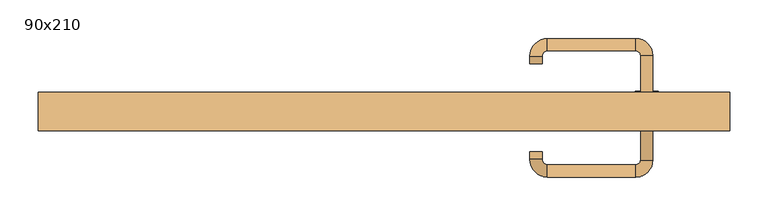
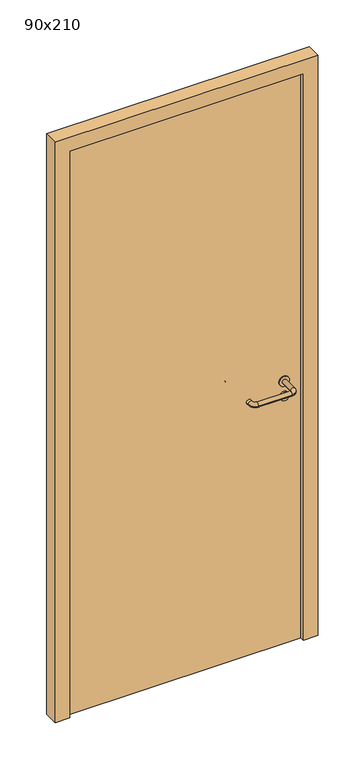
"""IFC4 building model written with IfcOpenShell, lengths in millimetres: door geometry, 90x210."""

import ifcopenshell
import ifcopenshell.guid

model = None  # the IFC model being written
_history = None  # IfcOwnerHistory: only IFC2X3 demands one
_inside = {}  # id of a spatial element -> (the spatial element, [elements in it])
_under = {}  # id of a project, library or spatial element -> (it, [spatial elements below it])
_declared = {}  # id of a project -> (the project, [libraries it declares])
_typed = {}  # id of a type object -> (the type object, [elements of that type])
_made_of = {}  # id of a material, layer set ... -> (it, [elements and type objects made of it])


def new_model(schema):
    """Start an empty IFC model of exactly this schema.

    Asked for "IFC4X3", IfcOpenShell would pick the latest addendum, in which some entities
    have other attributes; the version numbers below select the first issue.
    IFC2X3 requires an IfcOwnerHistory on every rooted entity: one is made here for all.
    """
    global model, _history
    if schema == "IFC4X3":
        model = ifcopenshell.file(schema_version=(4, 3, 0, 0))
    else:
        model = ifcopenshell.file(schema=schema)
    _inside.clear()
    _under.clear()
    _declared.clear()
    _typed.clear()
    _made_of.clear()
    _history = None
    if model.schema == "IFC2X3":
        org = make("IfcOrganization", Name="unknown")
        user = make(
            "IfcPersonAndOrganization",
            ThePerson=make("IfcPerson", FamilyName="unknown"),
            TheOrganization=org,
        )
        app = make(
            "IfcApplication",
            ApplicationDeveloper=org,
            Version="unknown",
            ApplicationFullName="unknown",
            ApplicationIdentifier="unknown",
        )
        _history = make(
            "IfcOwnerHistory",
            OwningUser=user,
            OwningApplication=app,
            ChangeAction="ADDED",
            CreationDate=0,
        )
    return model


def make(cls, **values):
    """One entity of the class cls with the attributes given. An attribute that is None is left unset."""
    return model.create_entity(
        cls, **{name: value for name, value in values.items() if value is not None}
    )


def rooted(cls, **values):
    """An entity with a GlobalId (a new one), such as an element, a storey or a relation."""
    return make(cls, GlobalId=ifcopenshell.guid.new(), OwnerHistory=_history, **values)


def si_unit(unit_type, name, prefix=None):
    """IfcSIUnit, for example si_unit("LENGTHUNIT", "METRE", prefix="MILLI")."""
    return make("IfcSIUnit", UnitType=unit_type, Prefix=prefix, Name=name)


def assignment(units):
    """IfcUnitAssignment: the units of a project."""
    return None if units is None else make("IfcUnitAssignment", Units=units)


def point(xyz):
    """IfcCartesianPoint."""
    return None if xyz is None else make("IfcCartesianPoint", Coordinates=xyz)


def direction(xyz):
    """IfcDirection."""
    return None if xyz is None else make("IfcDirection", DirectionRatios=xyz)


def frame(location, z_axis=None, x_axis=None):
    """IfcAxis2Placement3D, a coordinate frame: its origin and axes. An axis left out is left unset."""
    return make(
        "IfcAxis2Placement3D",
        Location=point(location),
        Axis=direction(z_axis),
        RefDirection=direction(x_axis),
    )


def frame_2d(location, x_axis=None):
    """IfcAxis2Placement2D, a coordinate frame in the plane: its origin and x axis."""
    return make(
        "IfcAxis2Placement2D", Location=point(location), RefDirection=direction(x_axis)
    )


def origin():
    """The frame at (0, 0, 0) with its axes left unset."""
    return frame((0.0, 0.0, 0.0))


def origin_with_axes():
    """The frame at (0, 0, 0) with the z axis (0, 0, 1) and the x axis (1, 0, 0) written out."""
    return frame((0.0, 0.0, 0.0), z_axis=(0.0, 0.0, 1.0), x_axis=(1.0, 0.0, 0.0))


def place(relative_to, where):
    """IfcLocalPlacement: puts the frame where relative to a parent placement (None: the world)."""
    return make(
        "IfcLocalPlacement", PlacementRelTo=relative_to, RelativePlacement=where
    )


def context(
    kind, dimensions, precision=None, world=None, true_north=None, identifier=None
):
    """IfcGeometricRepresentationContext, for example the 3D "Model" context."""
    return make(
        "IfcGeometricRepresentationContext",
        ContextIdentifier=identifier,
        ContextType=kind,
        CoordinateSpaceDimension=dimensions,
        Precision=precision,
        WorldCoordinateSystem=world,
        TrueNorth=true_north,
    )


def project(units=None, contexts=None):
    """IfcProject with its units and contexts."""
    return rooted(
        "IfcProject",
        Name="project",
        RepresentationContexts=contexts,
        UnitsInContext=assignment(units),
    )


def spatial(cls, under=None, at=None, **own):
    """A site, building, storey or space (cls), placed at a placement, below another one or the project."""
    s = rooted(cls, ObjectPlacement=at, **own)
    if under is not None:
        _under.setdefault(under.id(), (under, []))[1].append(s)
    return s


def polyline(points):
    """IfcPolyline through the points."""
    return make("IfcPolyline", Points=[point(p) for p in points])


def circle_curve(where, radius):
    """IfcCircle in the frame where."""
    return make("IfcCircle", Position=where, Radius=radius)


def ellipse_curve(where, semi_axis1, semi_axis2):
    """IfcEllipse in the frame where."""
    return make(
        "IfcEllipse", Position=where, SemiAxis1=semi_axis1, SemiAxis2=semi_axis2
    )


def trimmed(basis, trim1, trim2, sense, master):
    """IfcTrimmedCurve: the piece of a basis curve between two trims."""
    return make(
        "IfcTrimmedCurve",
        BasisCurve=basis,
        Trim1=trim1,
        Trim2=trim2,
        SenseAgreement=sense,
        MasterRepresentation=master,
    )


def segment(curve, same_sense, transition):
    """IfcCompositeCurveSegment."""
    return make(
        "IfcCompositeCurveSegment",
        Transition=transition,
        SameSense=same_sense,
        ParentCurve=curve,
    )


def composite_curve(segments, self_intersect=None):
    """IfcCompositeCurve: segments joined end to end."""
    return make("IfcCompositeCurve", Segments=segments, SelfIntersect=self_intersect)


def outline(outer, holes=None, kind="AREA"):
    """IfcArbitraryClosedProfileDef: a profile drawn as a closed curve; with holes, ...WithVoids."""
    if holes is None:
        return make("IfcArbitraryClosedProfileDef", ProfileType=kind, OuterCurve=outer)
    return make(
        "IfcArbitraryProfileDefWithVoids",
        ProfileType=kind,
        OuterCurve=outer,
        InnerCurves=holes,
    )


def extrude(swept, where, along, depth):
    """IfcExtrudedAreaSolid: the profile swept, set in the frame where, extruded along a direction by depth."""
    return make(
        "IfcExtrudedAreaSolid",
        SweptArea=swept,
        Position=where,
        ExtrudedDirection=direction(along),
        Depth=depth,
    )


def shape(context_of_items, identifier, shape_type, items):
    """IfcShapeRepresentation: the items that make up one representation, for example the "Body"."""
    return make(
        "IfcShapeRepresentation",
        ContextOfItems=context_of_items,
        RepresentationIdentifier=identifier,
        RepresentationType=shape_type,
        Items=items,
    )


def source(mapping_origin, context_of_items, identifier, shape_type, items):
    """IfcRepresentationMap: a shape defined once, which mapped items show again and again."""
    return make(
        "IfcRepresentationMap",
        MappingOrigin=mapping_origin,
        MappedRepresentation=shape(context_of_items, identifier, shape_type, items),
    )


def transform(
    local_origin,
    x_axis=None,
    y_axis=None,
    z_axis=None,
    scale=None,
    scale2=None,
    scale3=None,
    uniform=True,
):
    """IfcCartesianTransformationOperator3D, or its non-uniform kind. x_axis, y_axis, z_axis: its Axis1, 2, 3."""
    if uniform:
        return make(
            "IfcCartesianTransformationOperator3D",
            Axis1=direction(x_axis),
            Axis2=direction(y_axis),
            LocalOrigin=point(local_origin),
            Scale=scale,
            Axis3=direction(z_axis),
        )
    return make(
        "IfcCartesianTransformationOperator3DnonUniform",
        Axis1=direction(x_axis),
        Axis2=direction(y_axis),
        LocalOrigin=point(local_origin),
        Scale=scale,
        Axis3=direction(z_axis),
        Scale2=scale2,
        Scale3=scale3,
    )


def mapped(mapping_source, mapping_target):
    """IfcMappedItem: shows the shape of a source again, moved by a transform."""
    return make(
        "IfcMappedItem", MappingSource=mapping_source, MappingTarget=mapping_target
    )


def made_of(thing, what):
    """Note that an element or type object is made of a material, layer set ...; save() writes the relation."""
    if what is not None:
        _made_of.setdefault(what.id(), (what, []))[1].append(thing)
    return thing


def element(
    cls,
    number,
    at=None,
    inside=None,
    cuts=None,
    type_object=None,
    material=None,
    context=None,
    identifier="Body",
    shape_type=None,
    held_by="IfcProductDefinitionShape",
    body=None,
    shapes=None,
    **own,
):
    """One element of the class cls, such as IfcWall. Its Tag is "e" and its number.

    at: its placement. inside: the storey or other place that contains it. cuts: it is an
    opening in that element (IfcRelVoidsElement). A single representation is given by context,
    identifier, shape_type and body (its items); several are given by shapes. held_by: the class
    of the entity that holds the representations. save() writes the other relations.
    """
    e = rooted(cls, Tag="e%d" % number, ObjectPlacement=at, **own)
    if body is not None:
        shapes = [shape(context, identifier, shape_type, body)]
    if shapes is not None:
        e.Representation = make(held_by, Representations=shapes)
    if inside is not None:
        _inside.setdefault(inside.id(), (inside, []))[1].append(e)
    if cuts is not None:
        rooted(
            "IfcRelVoidsElement", RelatingBuildingElement=cuts, RelatedOpeningElement=e
        )
    if type_object is not None:
        _typed.setdefault(type_object.id(), (type_object, []))[1].append(e)
    return made_of(e, material)


def aggregate(whole, parts):
    """IfcRelAggregates: a whole, such as a stair, and the parts it consists of."""
    return rooted("IfcRelAggregates", RelatingObject=whole, RelatedObjects=parts)


def save(model, path):
    """Write the relations noted so far, then the file.

    IfcRelAggregates (storeys below a building ...), IfcRelContainedInSpatialStructure (elements
    in a storey), IfcRelDefinesByType, IfcRelAssociatesMaterial and IfcRelDeclares: one each for
    every whole, place, type object, material and project.
    """
    for whole, parts in _under.values():
        aggregate(whole, parts)
    for where, things in _inside.values():
        rooted(
            "IfcRelContainedInSpatialStructure",
            RelatedElements=things,
            RelatingStructure=where,
        )
    for kind, things in _typed.values():
        rooted("IfcRelDefinesByType", RelatedObjects=things, RelatingType=kind)
    for what, things in _made_of.values():
        rooted("IfcRelAssociatesMaterial", RelatedObjects=things, RelatingMaterial=what)
    for by, libraries in _declared.values():
        rooted("IfcRelDeclares", RelatingContext=by, RelatedDefinitions=libraries)
    model.write(path)


def plane_surface(at):
    """IfcPlane: the flat surface through the origin of the frame at, square to its z axis."""
    return make("IfcPlane", Position=at)


def cylinder_surface(at, radius):
    """IfcCylindricalSurface: all points at the distance radius from the z axis of the frame at."""
    return make("IfcCylindricalSurface", Position=at, Radius=radius)


def revolved_surface(curve, axis_point, axis_direction):
    """IfcSurfaceOfRevolution: the curve turned about the line through axis_point along axis_direction."""
    return make(
        "IfcSurfaceOfRevolution",
        SweptCurve=make("IfcArbitraryOpenProfileDef", ProfileType="CURVE", Curve=curve),
        AxisPosition=make("IfcAxis1Placement", Location=point(axis_point), Axis=direction(axis_direction)),
    )


def advanced_brep(points, edges, surfaces, faces):
    """IfcAdvancedBrep: a solid bounded by faces that lie on surfaces and meet in shared edges.

    An edge is (start, end): straight between two places in points (the first is 0);
    or (start, end, curve); or (start, end, curve, False) where it runs against its curve.
    A face is (place in surfaces, loops), or (place, loops, False) where it looks against
    its surface's normal. A loop lists edges by number (the first is 1), with a minus sign
    where the edge is run from its end to its start. The first loop is the outer one.
    """
    corners = [point(p) for p in points]
    vertices = [make("IfcVertexPoint", VertexGeometry=c) for c in corners]
    made = []
    for start, end, *more in edges:
        made.append(
            make(
                "IfcEdgeCurve",
                EdgeStart=vertices[start],
                EdgeEnd=vertices[end],
                EdgeGeometry=more[0] if more else make("IfcPolyline", Points=[corners[start], corners[end]]),
                SameSense=more[1] if len(more) > 1 else True,
            )
        )
    hull = []
    for where, loops, *sense in faces:
        bounds = []
        for j, loop in enumerate(loops):
            ring = [make("IfcOrientedEdge", EdgeElement=made[abs(k) - 1], Orientation=k > 0) for k in loop]
            bounds.append(
                make(
                    "IfcFaceOuterBound" if j == 0 else "IfcFaceBound",
                    Bound=make("IfcEdgeLoop", EdgeList=ring),
                    Orientation=True,
                )
            )
        hull.append(make("IfcAdvancedFace", Bounds=bounds, FaceSurface=surfaces[where], SameSense=sense[0] if sense else True))
    return make("IfcAdvancedBrep", Outer=make("IfcClosedShell", CfsFaces=hull))


def door_90x210_c7966d50(model_context):
    return source(origin(), model_context, "Body", "SolidModel", [
        extrude(outline(composite_curve([segment(trimmed(circle_curve(frame_2d((897.3605726, 342.0)), 15.0), [point((897.3605726, 357.0))], [point((897.3605726, 327.0))], False, "CARTESIAN"), True, "CONTINUOUS"), segment(trimmed(circle_curve(frame_2d((897.3605726, 342.0)), 15.0), [point((897.3605726, 327.0))], [point((897.3605726, 357.0))], False, "CARTESIAN"), True, "CONTINUOUS")], self_intersect=False), holes=[composite_curve([segment(trimmed(circle_curve(frame_2d((892.5833211, 341.9398032)), 2.0), [point((892.5833211, 343.9398032))], [point((892.5833211, 339.9398032))], True, "CARTESIAN"), True, "CONTINUOUS"), segment(polyline([(892.5833211, 339.9398032), (902.5833211, 339.9398032)]), True, "CONTINUOUS"), segment(trimmed(circle_curve(frame_2d((902.5833211, 341.9398032)), 2.0), [point((902.5833211, 339.9398032))], [point((902.5833211, 343.9398032))], True, "CARTESIAN"), True, "CONTINUOUS"), segment(polyline([(902.5833211, 343.9398032), (892.5833211, 343.9398032)]), True, "CONTINUOUS")], self_intersect=False)]), frame((0.0, 8.65, 0.0), z_axis=(0.0, 1.0, 0.0), x_axis=(0.0, 0.0, 1.0)), (0.0, 0.0, 1.0), 6.35),
        extrude(outline(composite_curve([segment(trimmed(circle_curve(frame_2d((950.0, 342.0)), 17.526), [point((950.0, 359.526))], [point((950.0, 324.474))], False, "CARTESIAN"), True, "CONTINUOUS"), segment(trimmed(circle_curve(frame_2d((950.0, 342.0)), 17.526), [point((950.0, 324.474))], [point((950.0, 359.526))], False, "CARTESIAN"), True, "CONTINUOUS")], self_intersect=False)), frame((0.0, 11.825, 0.0), z_axis=(0.0, 1.0, 0.0), x_axis=(0.0, 0.0, 1.0)), (0.0, 0.0, 1.0), 3.175),
        advanced_brep(
        [(350.0, 15.0, 950.0), (334.0, 15.0, 950.0), (334.0, -38.0, 950.0), (350.0, -38.0, 950.0), (327.8578644, -44.1421356, 950.0), (327.8578644, -60.1421356, 950.0), (212.8578644, -44.1421356, 950.0), (212.8578644, -60.1421356, 950.0), (206.008622, -37.2928932, 950.0), (190.008622, -37.2928932, 950.0), (190.008622, -27.2928932, 950.0), (206.008622, -27.2928932, 950.0)],
        [
            (0, 1, circle_curve(frame((342.0, 15.0, 950.0), z_axis=(0.0, 1.0, 0.0), x_axis=(-1.0, 0.0, 0.0)), 8.0)),
            (1, 0, circle_curve(frame((342.0, 15.0, 950.0), z_axis=(0.0, 1.0, 0.0), x_axis=(-1.0, 0.0, 0.0)), 8.0)),
            (1, 2),
            (2, 3, circle_curve(frame((342.0, -38.0, 950.0), z_axis=(0.0, 1.0, 0.0), x_axis=(-1.0, 0.0, 0.0)), 8.0)),
            (3, 0),
            (3, 2, circle_curve(frame((342.0, -38.0, 950.0), z_axis=(0.0, 1.0, 0.0), x_axis=(-1.0, 0.0, 0.0)), 8.0)),
            (4, 5, circle_curve(frame((327.8578644, -52.1421356, 950.0), z_axis=(1.0, 0.0, 0.0), x_axis=(0.0, 1.0, 0.0)), 8.0)),
            (5, 3, circle_curve(frame((327.8578644, -38.0, 950.0), z_axis=(0.0, 0.0, 1.0), x_axis=(1.0, 0.0, 0.0)), 22.1421356)),
            (2, 4, circle_curve(frame((327.8578644, -38.0, 950.0), z_axis=(0.0, 0.0, -1.0), x_axis=(1.0, 0.0, 0.0)), 6.1421356)),
            (5, 4, circle_curve(frame((327.8578644, -52.1421356, 950.0), z_axis=(1.0, 0.0, 0.0), x_axis=(0.0, 1.0, 0.0)), 8.0)),
            (4, 6),
            (6, 7, circle_curve(frame((212.8578644, -52.1421356, 950.0), z_axis=(1.0, 0.0, 0.0), x_axis=(0.0, 1.0, 0.0)), 8.0)),
            (7, 5),
            (7, 6, circle_curve(frame((212.8578644, -52.1421356, 950.0), z_axis=(1.0, 0.0, 0.0), x_axis=(0.0, 1.0, 0.0)), 8.0)),
            (8, 9, circle_curve(frame((198.008622, -37.2928932, 950.0), z_axis=(0.0, -1.0, 0.0), x_axis=(1.0, 0.0, 0.0)), 8.0)),
            (9, 7, circle_curve(frame((212.8578644, -37.2928932, 950.0), z_axis=(0.0, 0.0, 1.0), x_axis=(0.0, -1.0, 0.0)), 22.8492424)),
            (6, 8, circle_curve(frame((212.8578644, -37.2928932, 950.0), z_axis=(0.0, 0.0, -1.0), x_axis=(0.0, -1.0, 0.0)), 6.8492424)),
            (9, 8, circle_curve(frame((198.008622, -37.2928932, 950.0), z_axis=(0.0, -1.0, 0.0), x_axis=(1.0, 0.0, 0.0)), 8.0)),
            (10, 11, circle_curve(frame((198.008622, -27.2928932, 950.0), z_axis=(0.0, 1.0, 0.0), x_axis=(1.0, 0.0, 0.0)), 8.0)),
            (11, 10, circle_curve(frame((198.008622, -27.2928932, 950.0), z_axis=(0.0, 1.0, 0.0), x_axis=(1.0, 0.0, 0.0)), 8.0)),
            (8, 11),
            (10, 9),
        ],
        [
            plane_surface(frame((342.0, 15.0, 170.0), z_axis=(0.0, 1.0, 0.0), x_axis=(0.0, 0.0, 1.0))),
            cylinder_surface(frame((342.0, 15.0, 950.0), z_axis=(0.0, 1.0, 0.0), x_axis=(-1.0, 0.0, 0.0)), 8.0),
            revolved_surface(trimmed(ellipse_curve(frame((342.0, -38.0, 950.0), z_axis=(0.0, -1.0, 0.0), x_axis=(-1.0, 0.0, 0.0)), 8.0, 8.0), [point((350.0, -38.0, 950.0))], [point((334.0, -38.0, 950.0))], True, "CARTESIAN"), (327.8578644, -38.0, 170.0), (0.0, 0.0, 1.0)),
            revolved_surface(trimmed(ellipse_curve(frame((342.0, -38.0, 950.0), z_axis=(0.0, -1.0, 0.0), x_axis=(-1.0, 0.0, 0.0)), 8.0, 8.0), [point((334.0, -38.0, 950.0))], [point((350.0, -38.0, 950.0))], True, "CARTESIAN"), (327.8578644, -38.0, 170.0), (0.0, 0.0, 1.0)),
            cylinder_surface(frame((327.8578644, -52.1421356, 950.0), z_axis=(1.0, 0.0, 0.0), x_axis=(0.0, 1.0, 0.0)), 8.0),
            revolved_surface(trimmed(ellipse_curve(frame((212.8578644, -52.1421356, 950.0), z_axis=(-1.0, 0.0, 0.0), x_axis=(0.0, 1.0, 0.0)), 8.0, 8.0), [point((212.8578644, -60.1421356, 950.0))], [point((212.8578644, -44.1421356, 950.0))], True, "CARTESIAN"), (212.8578644, -37.2928932, 170.0), (0.0, 0.0, 1.0)),
            revolved_surface(trimmed(ellipse_curve(frame((212.8578644, -52.1421356, 950.0), z_axis=(-1.0, 0.0, 0.0), x_axis=(0.0, 1.0, 0.0)), 8.0, 8.0), [point((212.8578644, -44.1421356, 950.0))], [point((212.8578644, -60.1421356, 950.0))], True, "CARTESIAN"), (212.8578644, -37.2928932, 170.0), (0.0, 0.0, 1.0)),
            plane_surface(frame((198.008622, -27.2928932, 170.0), z_axis=(0.0, 1.0, 0.0), x_axis=(0.0, 0.0, 1.0))),
            cylinder_surface(frame((198.008622, -37.2928932, 950.0), z_axis=(0.0, -1.0, 0.0), x_axis=(1.0, 0.0, 0.0)), 8.0),
        ],
        [
            (0, [[1, 2]]),
            (1, [[3, 4, 5, -2]]),
            (1, [[-5, 6, -3, -1]]),
            (2, [[7, 8, -4, 9]]),
            (3, [[10, -9, -6, -8]]),
            (4, [[11, 12, 13, -7]]),
            (4, [[-13, 14, -11, -10]]),
            (5, [[15, 16, -12, 17]]),
            (6, [[18, -17, -14, -16]]),
            (7, [[19, 20]]),
            (8, [[21, -19, 22, -15]]),
            (8, [[-22, -20, -21, -18]]),
        ],
    ),
        extrude(outline(composite_curve([segment(trimmed(circle_curve(frame_2d((0.0, -15.0)), 15.0), [point((0.0, -30.0))], [point((0.0, 0.0))], False, "CARTESIAN"), True, "CONTINUOUS"), segment(trimmed(circle_curve(frame_2d((0.0, -15.0)), 15.0), [point((0.0, 0.0))], [point((0.0, -30.0))], False, "CARTESIAN"), True, "CONTINUOUS")], self_intersect=False), holes=[composite_curve([segment(trimmed(circle_curve(frame_2d((4.7772515, -14.9398032)), 2.0), [point((4.7772515, -16.9398032))], [point((4.7772515, -12.9398032))], True, "CARTESIAN"), True, "CONTINUOUS"), segment(polyline([(4.7772515, -12.9398032), (-5.2227485, -12.9398032)]), True, "CONTINUOUS"), segment(trimmed(circle_curve(frame_2d((-5.2227485, -14.9398032)), 2.0), [point((-5.2227485, -12.9398032))], [point((-5.2227485, -16.9398032))], True, "CARTESIAN"), True, "CONTINUOUS"), segment(polyline([(-5.2227485, -16.9398032), (4.7772515, -16.9398032)]), True, "CONTINUOUS")], self_intersect=False)]), frame((327.0, 45.0, 897.3605726), z_axis=(1.8870575173328306e-12, 1.0, 0.0), x_axis=(0.0, 0.0, -1.0)), (0.0, 0.0, 1.0), 6.35),
        extrude(outline(composite_curve([segment(trimmed(circle_curve(frame_2d((0.0, -17.526)), 17.526), [point((0.0, -35.052))], [point((0.0, 0.0))], False, "CARTESIAN"), True, "CONTINUOUS"), segment(trimmed(circle_curve(frame_2d((0.0, -17.526)), 17.526), [point((0.0, 0.0))], [point((0.0, -35.052))], False, "CARTESIAN"), True, "CONTINUOUS")], self_intersect=False)), frame((324.474, 45.0, 950.0), z_axis=(1.8870575173328306e-12, 1.0, 0.0), x_axis=(0.0, 0.0, -1.0)), (0.0, 0.0, 1.0), 3.175),
        advanced_brep(
        [(350.0, 45.0, 950.0), (334.0, 45.0, 950.0), (350.0, 98.0, 950.0), (334.0, 98.0, 950.0), (327.8578644, 104.1421356, 950.0), (327.8578644, 120.1421356, 950.0), (212.8578644, 120.1421356, 950.0), (212.8578644, 104.1421356, 950.0), (206.008622, 97.2928932, 950.0), (190.008622, 97.2928932, 950.0), (190.008622, 87.2928932, 950.0), (206.008622, 87.2928932, 950.0)],
        [
            (0, 1, circle_curve(frame((342.0, 45.0, 950.0), z_axis=(-1.888672253512351e-12, -1.0, 0.0), x_axis=(-1.0, 1.888672253512351e-12, 0.0)), 8.0)),
            (1, 0, circle_curve(frame((342.0, 45.0, 950.0), z_axis=(-1.888672253512351e-12, -1.0, 0.0), x_axis=(-1.0, 1.888672253512351e-12, 0.0)), 8.0)),
            (0, 2),
            (2, 3, circle_curve(frame((342.0, 98.0, 950.0), z_axis=(-1.888672253512351e-12, -1.0, 0.0), x_axis=(-1.0, 1.888672253512351e-12, 0.0)), 8.0)),
            (3, 1),
            (3, 2, circle_curve(frame((342.0, 98.0, 950.0), z_axis=(-1.888672253512351e-12, -1.0, 0.0), x_axis=(-1.0, 1.888672253512351e-12, 0.0)), 8.0)),
            (4, 3, circle_curve(frame((327.8578644, 98.0, 950.0), z_axis=(0.0, 0.0, -1.0), x_axis=(1.0, -1.880717803715015e-12, 0.0)), 6.1421356)),
            (2, 5, circle_curve(frame((327.8578644, 98.0, 950.0), z_axis=(0.0, 0.0, 1.0), x_axis=(1.0, -1.880717803715015e-12, 0.0)), 22.1421356)),
            (5, 4, circle_curve(frame((327.8578644, 112.1421356, 950.0), z_axis=(1.0, -1.913702061528922e-12, 0.0), x_axis=(-1.913702061528922e-12, -1.0, 0.0)), 8.0)),
            (4, 5, circle_curve(frame((327.8578644, 112.1421356, 950.0), z_axis=(1.0, -1.913702061528922e-12, 0.0), x_axis=(-1.913702061528922e-12, -1.0, 0.0)), 8.0)),
            (5, 6),
            (6, 7, circle_curve(frame((212.8578644, 112.1421356, 950.0), z_axis=(1.0, -1.913719828541269e-12, 0.0), x_axis=(-1.913719828541269e-12, -1.0, 0.0)), 8.0)),
            (7, 4),
            (7, 6, circle_curve(frame((212.8578644, 112.1421356, 950.0), z_axis=(1.0, -1.913719828541269e-12, 0.0), x_axis=(-1.913719828541269e-12, -1.0, 0.0)), 8.0)),
            (8, 7, circle_curve(frame((212.8578644, 97.2928932, 950.0), z_axis=(0.0, 0.0, -1.0), x_axis=(1.9120873253494017e-12, 1.0, 0.0)), 6.8492424)),
            (6, 9, circle_curve(frame((212.8578644, 97.2928932, 950.0), z_axis=(0.0, 0.0, 1.0), x_axis=(1.9120873253494017e-12, 1.0, 0.0)), 22.8492424)),
            (9, 8, circle_curve(frame((198.008622, 97.2928932, 950.0), z_axis=(1.890670654956676e-12, 1.0, 0.0), x_axis=(1.0, -1.890670654956676e-12, 0.0)), 8.0)),
            (8, 9, circle_curve(frame((198.008622, 97.2928932, 950.0), z_axis=(1.890226565746826e-12, 1.0, 0.0), x_axis=(1.0, -1.890226565746826e-12, 0.0)), 8.0)),
            (10, 11, circle_curve(frame((198.008622, 87.2928932, 950.0), z_axis=(-1.8903642334018795e-12, -1.0, 0.0), x_axis=(1.0, -1.8903642334018795e-12, 0.0)), 8.0)),
            (11, 10, circle_curve(frame((198.008622, 87.2928932, 950.0), z_axis=(-1.8903642334018795e-12, -1.0, 0.0), x_axis=(1.0, -1.8903642334018795e-12, 0.0)), 8.0)),
            (9, 10),
            (11, 8),
        ],
        [
            plane_surface(frame((342.0, 45.0, 170.0), z_axis=(-1.8870575173328306e-12, -1.0, 0.0), x_axis=(0.0, 0.0, 1.0))),
            cylinder_surface(frame((342.0, 45.0, 950.0), z_axis=(-1.888672253512351e-12, -1.0, 0.0), x_axis=(-1.0, 1.888672253512351e-12, 0.0)), 8.0),
            revolved_surface(trimmed(ellipse_curve(frame((342.0, 98.0, 950.0), z_axis=(-1.8823325398945356e-12, -1.0, 0.0), x_axis=(-1.0, 1.8823325398945356e-12, 0.0)), 8.0, 8.0), [point((350.0, 98.0, 950.0))], [point((334.0, 98.0, 950.0))], True, "CARTESIAN"), (327.8578644, 98.0, 170.0), (0.0, 0.0, 1.0)),
            revolved_surface(trimmed(ellipse_curve(frame((342.0, 98.0, 950.0), z_axis=(-1.8823325398945356e-12, -1.0, 0.0), x_axis=(-1.0, 1.8823325398945356e-12, 0.0)), 8.0, 8.0), [point((334.0, 98.0, 950.0))], [point((350.0, 98.0, 950.0))], True, "CARTESIAN"), (327.8578644, 98.0, 170.0), (0.0, 0.0, 1.0)),
            cylinder_surface(frame((327.8578644, 112.1421356, 950.0), z_axis=(1.0, -1.913719828541269e-12, 0.0), x_axis=(-1.913719828541269e-12, -1.0, 0.0)), 8.0),
            revolved_surface(trimmed(ellipse_curve(frame((212.8578644, 112.1421356, 950.0), z_axis=(1.0, -1.913702061528922e-12, 0.0), x_axis=(-1.913702061528922e-12, -1.0, 0.0)), 8.0, 8.0), [point((212.8578644, 120.1421356, 950.0))], [point((212.8578644, 104.1421356, 950.0))], True, "CARTESIAN"), (212.8578644, 97.2928932, 170.0), (0.0, 0.0, 1.0)),
            revolved_surface(trimmed(ellipse_curve(frame((212.8578644, 112.1421356, 950.0), z_axis=(1.0, -1.913702061528922e-12, 0.0), x_axis=(-1.913702061528922e-12, -1.0, 0.0)), 8.0, 8.0), [point((212.8578644, 104.1421356, 950.0))], [point((212.8578644, 120.1421356, 950.0))], True, "CARTESIAN"), (212.8578644, 97.2928932, 170.0), (0.0, 0.0, 1.0)),
            plane_surface(frame((198.008622, 87.2928932, 170.0), z_axis=(-1.8887494972223595e-12, -1.0, 0.0), x_axis=(0.0, 0.0, 1.0))),
            cylinder_surface(frame((198.008622, 97.2928932, 950.0), z_axis=(1.8903642334018795e-12, 1.0, 0.0), x_axis=(1.0, -1.8903642334018795e-12, 0.0)), 8.0),
        ],
        [
            (0, [[1, 2]]),
            (1, [[-1, 3, 4, 5]]),
            (1, [[-2, -5, 6, -3]]),
            (2, [[7, -4, 8, 9]]),
            (3, [[-8, -6, -7, 10]]),
            (4, [[-9, 11, 12, 13]]),
            (4, [[-10, -13, 14, -11]]),
            (5, [[15, -12, 16, 17]]),
            (6, [[-16, -14, -15, 18]]),
            (7, [[19, 20]]),
            (8, [[-17, 21, -20, 22]]),
            (8, [[-18, -22, -19, -21]]),
        ],
    ),
        extrude(outline(polyline([(2050.0, 400.0), (0.0, 400.0), (0.0, 450.0), (2100.0, 450.0), (2100.0, -450.0), (0.0, -450.0), (0.0, -400.0), (2050.0, -400.0), (2050.0, 400.0)])), frame((0.0, 0.0, 0.0), z_axis=(0.0, 1.0, 0.0), x_axis=(0.0, 0.0, 1.0)), (0.0, 0.0, 1.0), 50.0),
        extrude(outline(polyline([(-400.0, 45.0), (400.0, 45.0), (400.0, 15.0), (-400.0, 15.0), (-400.0, 45.0)])), origin_with_axes(), (0.0, 0.0, 1.0), 2050.0),
    ])


if __name__ == "__main__":
    model = new_model("IFC4")
    model_context = context("Model", 3, world=origin())
    ifc_project = project(units=[si_unit("LENGTHUNIT", "METRE", prefix="MILLI")], contexts=[model_context])
    site = spatial("IfcSite", under=ifc_project)
    building = spatial("IfcBuilding", under=site)
    placement = place(None, origin())
    door_90x210_shape = door_90x210_c7966d50(model_context)
    element("IfcDoor", 1, ObjectType="90x210", at=placement, inside=building, context=model_context, shape_type="MappedRepresentation", body=[
        mapped(door_90x210_shape, transform((0.0, 0.0, 0.0), x_axis=(1.0, 0.0, 0.0), y_axis=(0.0, 1.0, 0.0), z_axis=(0.0, 0.0, 1.0))),
    ])
    save(model, "model.ifc")
